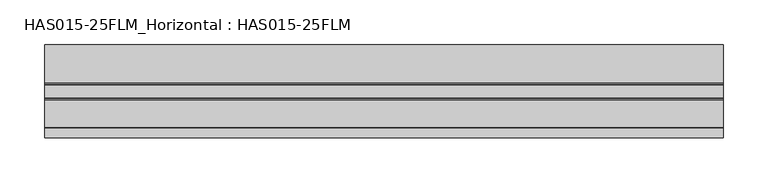
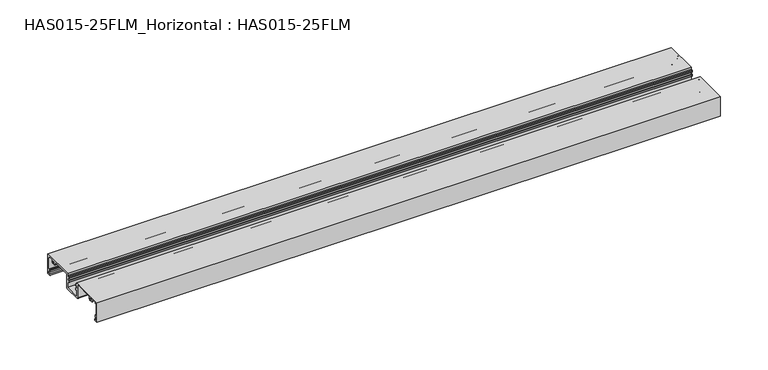
"""IFC4 building model written with IfcOpenShell, lengths in millimetres: beam geometry, HAS015-25FLM_Horizontal : HAS015-25FLM."""

from ifc_helpers import new_model, si_unit, point, frame, frame_2d, origin, place, context, project, spatial, polyline, circle_curve, trimmed, segment, composite_curve, outline, extrude, source, transform, mapped, element, save


def has015_25flm_horizontal_has015_25flm_05cae282(model_context):
    return source(origin(), model_context, "Body", "SweptSolid", [
        extrude(outline(composite_curve([segment(polyline([(9.7397316, -2.3590177), (9.7397316, 0.0), (51.998773, 0.0), (51.998773, -25.0959329), (47.6822725, -25.0959329)]), True, "CONTINUOUS"), segment(trimmed(circle_curve(frame_2d((47.6822725, -24.3932468)), 0.7026861), [point((47.6822725, -25.0959329))], [point((47.6822725, -23.6905607))], False, "CARTESIAN"), True, "CONTINUOUS"), segment(polyline([(47.6822725, -23.6905607), (50.6435926, -23.6905607), (50.6435926, -20.4280894), (48.9370692, -20.4280894)]), True, "CONTINUOUS"), segment(trimmed(circle_curve(frame_2d((48.9370692, -19.6250195)), 0.8030699), [point((48.9370692, -20.4280894))], [point((48.1339993, -19.6250195))], False, "CARTESIAN"), True, "CONTINUOUS"), segment(polyline([(48.1339993, -19.6250195), (48.1339993, -18.4204148)]), True, "CONTINUOUS"), segment(trimmed(circle_curve(frame_2d((48.635918, -18.4204148)), 0.5019187), [point((48.1339993, -18.4204148))], [point((49.1378366, -18.4204148))], False, "CARTESIAN"), True, "CONTINUOUS"), segment(polyline([(49.1378366, -18.4204148), (49.1378366, -19.4242521), (50.6435926, -19.4242521), (50.6435926, -1.3551804), (49.1378366, -1.3551804), (49.1378366, -2.3590177)]), True, "CONTINUOUS"), segment(trimmed(circle_curve(frame_2d((48.635918, -2.3590177)), 0.5019187), [point((49.1378366, -2.3590177))], [point((48.1339993, -2.3590177))], False, "CARTESIAN"), True, "CONTINUOUS"), segment(polyline([(48.1339993, -2.3590177), (48.1339993, -1.3545941), (41.4077771, -1.3545941)]), True, "CONTINUOUS"), segment(trimmed(circle_curve(frame_2d((38.9488879, -3.261885)), 3.1118957), [point((41.4077771, -1.3545941))], [point((41.283567, -5.3193515))], False, "CARTESIAN"), True, "CONTINUOUS"), segment(trimmed(circle_curve(frame_2d((40.7187253, -4.8215773)), 0.752878), [point((41.283567, -5.3193515))], [point((40.1538835, -4.3238032))], False, "CARTESIAN"), True, "CONTINUOUS"), segment(trimmed(circle_curve(frame_2d((38.9488879, -3.261885)), 1.6061397), [point((40.1538835, -4.3238032))], [point((38.9185853, -1.6560312))], True, "CARTESIAN"), True, "CONTINUOUS"), segment(trimmed(circle_curve(frame_2d((38.9488879, -3.261885)), 1.6061397), [point((38.9185853, -1.6560312))], [point((37.7438922, -4.3238032))], True, "CARTESIAN"), True, "CONTINUOUS"), segment(trimmed(circle_curve(frame_2d((37.1790505, -4.8215773)), 0.752878), [point((37.7438922, -4.3238032))], [point((36.6142088, -5.3193515))], False, "CARTESIAN"), True, "CONTINUOUS"), segment(trimmed(circle_curve(frame_2d((38.9488879, -3.261885)), 3.1118957), [point((36.6142088, -5.3193515))], [point((36.1372659, -1.9282147))], False, "CARTESIAN"), True, "CONTINUOUS"), segment(trimmed(circle_curve(frame_2d((35.7744765, -1.7561284)), 0.4015343), [point((36.1372659, -1.9282147))], [point((35.7744765, -1.3545941))], True, "CARTESIAN"), True, "CONTINUOUS"), segment(polyline([(35.7744765, -1.3545941), (11.2956794, -1.3545941), (11.2956794, -18.3702229)]), True, "CONTINUOUS"), segment(trimmed(circle_curve(frame_2d((10.0910746, -18.3702229)), 1.2046048), [point((11.2956794, -18.3702229))], [point((10.0910746, -19.5748277))], False, "CARTESIAN"), True, "CONTINUOUS"), segment(polyline([(10.0910746, -19.5748277), (-10.0910746, -19.5748277)]), True, "CONTINUOUS"), segment(trimmed(circle_curve(frame_2d((-10.0910746, -18.3702229)), 1.2046048), [point((-10.0910746, -19.5748277))], [point((-11.2956794, -18.3702229))], False, "CARTESIAN"), True, "CONTINUOUS"), segment(polyline([(-11.2956794, -18.3702229), (-11.2956794, -1.3545941), (-35.7744765, -1.3545941)]), True, "CONTINUOUS"), segment(trimmed(circle_curve(frame_2d((-35.7744765, -1.7561284)), 0.4015343), [point((-35.7744765, -1.3545941))], [point((-36.1372659, -1.9282147))], True, "CARTESIAN"), True, "CONTINUOUS"), segment(trimmed(circle_curve(frame_2d((-38.9488879, -3.261885)), 3.1118957), [point((-36.1372659, -1.9282147))], [point((-36.6142088, -5.3193515))], False, "CARTESIAN"), True, "CONTINUOUS"), segment(trimmed(circle_curve(frame_2d((-37.1790505, -4.8215773)), 0.752878), [point((-36.6142088, -5.3193515))], [point((-37.7438922, -4.3238032))], False, "CARTESIAN"), True, "CONTINUOUS"), segment(trimmed(circle_curve(frame_2d((-38.9488879, -3.261885)), 1.6061397), [point((-37.7438922, -4.3238032))], [point((-38.9939217, -1.6563768))], True, "CARTESIAN"), True, "CONTINUOUS"), segment(trimmed(circle_curve(frame_2d((-38.9488879, -3.261885)), 1.6061397), [point((-38.9939217, -1.6563768))], [point((-40.1538836, -4.3238032))], True, "CARTESIAN"), True, "CONTINUOUS"), segment(trimmed(circle_curve(frame_2d((-40.7187253, -4.8215773)), 0.752878), [point((-40.1538836, -4.3238032))], [point((-41.283567, -5.3193515))], False, "CARTESIAN"), True, "CONTINUOUS"), segment(trimmed(circle_curve(frame_2d((-38.9488879, -3.261885)), 3.1118957), [point((-41.283567, -5.3193515))], [point((-41.4082317, -1.3551804))], False, "CARTESIAN"), True, "CONTINUOUS"), segment(polyline([(-41.4082317, -1.3551804), (-48.1339993, -1.3551804), (-48.1339993, -2.3590177)]), True, "CONTINUOUS"), segment(trimmed(circle_curve(frame_2d((-48.635918, -2.3590177)), 0.5019187), [point((-48.1339993, -2.3590177))], [point((-49.1378366, -2.3590177))], False, "CARTESIAN"), True, "CONTINUOUS"), segment(polyline([(-49.1378366, -2.3590177), (-49.1378366, -1.3551804), (-50.6435926, -1.3551804), (-50.6435926, -19.4242521), (-49.1378366, -19.4242521), (-49.1378366, -18.4204148)]), True, "CONTINUOUS"), segment(trimmed(circle_curve(frame_2d((-48.635918, -18.4204148)), 0.5019187), [point((-49.1378366, -18.4204148))], [point((-48.1339993, -18.4204148))], False, "CARTESIAN"), True, "CONTINUOUS"), segment(polyline([(-48.1339993, -18.4204148), (-48.1339993, -19.6250195)]), True, "CONTINUOUS"), segment(trimmed(circle_curve(frame_2d((-48.9370692, -19.6250195)), 0.8030699), [point((-48.1339993, -19.6250195))], [point((-48.9370692, -20.4280894))], False, "CARTESIAN"), True, "CONTINUOUS"), segment(polyline([(-48.9370692, -20.4280894), (-50.6435926, -20.4280894), (-50.6435926, -23.6905607), (-47.6822725, -23.6905607)]), True, "CONTINUOUS"), segment(trimmed(circle_curve(frame_2d((-47.6822725, -24.3932468)), 0.7026861), [point((-47.6822725, -23.6905607))], [point((-47.6822725, -25.0959329))], False, "CARTESIAN"), True, "CONTINUOUS"), segment(polyline([(-47.6822725, -25.0959329), (-51.998773, -25.0959329), (-51.998773, 0.0), (-9.7397316, 0.0), (-9.7397316, -2.3590177), (-8.0332081, -2.3590177)]), True, "CONTINUOUS"), segment(trimmed(circle_curve(frame_2d((-8.0332081, -2.8609364)), 0.5019187), [point((-8.0332081, -2.3590177))], [point((-7.5312895, -2.8609364))], False, "CARTESIAN"), True, "CONTINUOUS"), segment(polyline([(-7.5312895, -2.8609364), (-7.5312895, -4.4663086)]), True, "CONTINUOUS"), segment(trimmed(circle_curve(frame_2d((-8.0332081, -4.4663086)), 0.5019187), [point((-7.5312895, -4.4663086))], [point((-8.5351268, -4.4663086))], False, "CARTESIAN"), True, "CONTINUOUS"), segment(polyline([(-8.5351268, -4.4663086), (-8.5351268, -3.6640062), (-9.940499, -3.6640062), (-9.940499, -9.0847277), (-8.5351268, -9.0847277), (-8.5351268, -8.2824253)]), True, "CONTINUOUS"), segment(trimmed(circle_curve(frame_2d((-8.0332081, -8.2824253)), 0.5019187), [point((-8.5351268, -8.2824253))], [point((-7.5312895, -8.2824253))], False, "CARTESIAN"), True, "CONTINUOUS"), segment(polyline([(-7.5312895, -8.2824253), (-7.5312895, -9.8877976)]), True, "CONTINUOUS"), segment(trimmed(circle_curve(frame_2d((-8.0332081, -9.8877976)), 0.5019187), [point((-7.5312895, -9.8877976))], [point((-8.0332081, -10.3897162))], False, "CARTESIAN"), True, "CONTINUOUS"), segment(polyline([(-8.0332081, -10.3897162), (-9.7397316, -10.3897162), (-9.7397316, -18.0188798), (9.7397316, -18.0188798), (9.7397316, -10.3897162), (8.0332081, -10.3897162)]), True, "CONTINUOUS"), segment(trimmed(circle_curve(frame_2d((8.0332081, -9.8877976)), 0.5019187), [point((8.0332081, -10.3897162))], [point((7.5312895, -9.8877976))], False, "CARTESIAN"), True, "CONTINUOUS"), segment(polyline([(7.5312895, -9.8877976), (7.5312895, -8.2824253)]), True, "CONTINUOUS"), segment(trimmed(circle_curve(frame_2d((8.0332081, -8.2824253)), 0.5019187), [point((7.5312895, -8.2824253))], [point((8.5351268, -8.2824253))], False, "CARTESIAN"), True, "CONTINUOUS"), segment(polyline([(8.5351268, -8.2824253), (8.5351268, -9.0847277), (9.940499, -9.0847277), (9.940499, -3.6640062), (8.5351268, -3.6640062), (8.5351268, -4.4663086)]), True, "CONTINUOUS"), segment(trimmed(circle_curve(frame_2d((8.0332081, -4.4663086)), 0.5019187), [point((8.5351268, -4.4663086))], [point((7.5312895, -4.4663086))], False, "CARTESIAN"), True, "CONTINUOUS"), segment(polyline([(7.5312895, -4.4663086), (7.5312895, -2.8609364)]), True, "CONTINUOUS"), segment(trimmed(circle_curve(frame_2d((8.0332081, -2.8609364)), 0.5019187), [point((7.5312895, -2.8609364))], [point((8.0332081, -2.3590177))], False, "CARTESIAN"), True, "CONTINUOUS"), segment(polyline([(8.0332081, -2.3590177), (9.7397316, -2.3590177)]), True, "CONTINUOUS")], self_intersect=False)), frame((-378.7579618, 0.0, 0.0), z_axis=(1.0, 0.0, 0.0), x_axis=(0.0, 1.0, 0.0)), (0.0, 0.0, 1.0), 757.5159237),
    ])


if __name__ == "__main__":
    model = new_model("IFC4")
    model_context = context("Model", 3, world=origin())
    ifc_project = project(units=[si_unit("LENGTHUNIT", "METRE", prefix="MILLI")], contexts=[model_context])
    site = spatial("IfcSite", under=ifc_project)
    building = spatial("IfcBuilding", under=site)
    placement = place(None, origin())
    has015_25flm_horizontal_has015_25flm_shape = has015_25flm_horizontal_has015_25flm_05cae282(model_context)
    element("IfcBeam", 1, ObjectType="HAS015-25FLM_Horizontal : HAS015-25FLM", at=placement, inside=building, context=model_context, shape_type="MappedRepresentation", body=[
        mapped(has015_25flm_horizontal_has015_25flm_shape, transform((0.0, 0.0, 0.0), x_axis=(1.0, 0.0, 0.0), y_axis=(0.0, 1.0, 0.0), z_axis=(0.0, 0.0, 1.0))),
    ])
    save(model, "model.ifc")
